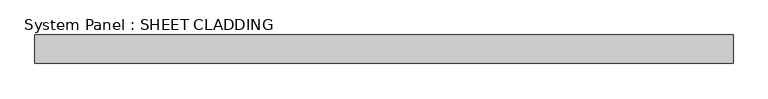
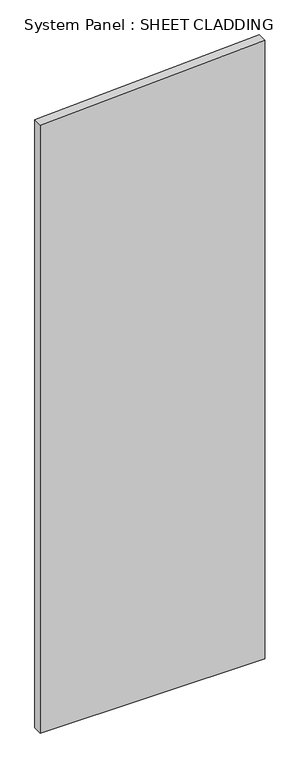
"""IFC4 building model written with IfcOpenShell, lengths in millimetres: plate geometry, System Panel : SHEET CLADDING."""

import ifcopenshell
import ifcopenshell.guid

model = None  # the IFC model being written
_history = None  # IfcOwnerHistory: only IFC2X3 demands one
_inside = {}  # id of a spatial element -> (the spatial element, [elements in it])
_under = {}  # id of a project, library or spatial element -> (it, [spatial elements below it])
_declared = {}  # id of a project -> (the project, [libraries it declares])
_typed = {}  # id of a type object -> (the type object, [elements of that type])
_made_of = {}  # id of a material, layer set ... -> (it, [elements and type objects made of it])


def new_model(schema):
    """Start an empty IFC model of exactly this schema.

    Asked for "IFC4X3", IfcOpenShell would pick the latest addendum, in which some entities
    have other attributes; the version numbers below select the first issue.
    IFC2X3 requires an IfcOwnerHistory on every rooted entity: one is made here for all.
    """
    global model, _history
    if schema == "IFC4X3":
        model = ifcopenshell.file(schema_version=(4, 3, 0, 0))
    else:
        model = ifcopenshell.file(schema=schema)
    _inside.clear()
    _under.clear()
    _declared.clear()
    _typed.clear()
    _made_of.clear()
    _history = None
    if model.schema == "IFC2X3":
        org = make("IfcOrganization", Name="unknown")
        user = make(
            "IfcPersonAndOrganization",
            ThePerson=make("IfcPerson", FamilyName="unknown"),
            TheOrganization=org,
        )
        app = make(
            "IfcApplication",
            ApplicationDeveloper=org,
            Version="unknown",
            ApplicationFullName="unknown",
            ApplicationIdentifier="unknown",
        )
        _history = make(
            "IfcOwnerHistory",
            OwningUser=user,
            OwningApplication=app,
            ChangeAction="ADDED",
            CreationDate=0,
        )
    return model


def make(cls, **values):
    """One entity of the class cls with the attributes given. An attribute that is None is left unset."""
    return model.create_entity(
        cls, **{name: value for name, value in values.items() if value is not None}
    )


def rooted(cls, **values):
    """An entity with a GlobalId (a new one), such as an element, a storey or a relation."""
    return make(cls, GlobalId=ifcopenshell.guid.new(), OwnerHistory=_history, **values)


def si_unit(unit_type, name, prefix=None):
    """IfcSIUnit, for example si_unit("LENGTHUNIT", "METRE", prefix="MILLI")."""
    return make("IfcSIUnit", UnitType=unit_type, Prefix=prefix, Name=name)


def assignment(units):
    """IfcUnitAssignment: the units of a project."""
    return None if units is None else make("IfcUnitAssignment", Units=units)


def point(xyz):
    """IfcCartesianPoint."""
    return None if xyz is None else make("IfcCartesianPoint", Coordinates=xyz)


def direction(xyz):
    """IfcDirection."""
    return None if xyz is None else make("IfcDirection", DirectionRatios=xyz)


def frame(location, z_axis=None, x_axis=None):
    """IfcAxis2Placement3D, a coordinate frame: its origin and axes. An axis left out is left unset."""
    return make(
        "IfcAxis2Placement3D",
        Location=point(location),
        Axis=direction(z_axis),
        RefDirection=direction(x_axis),
    )


def origin():
    """The frame at (0, 0, 0) with its axes left unset."""
    return frame((0.0, 0.0, 0.0))


def place(relative_to, where):
    """IfcLocalPlacement: puts the frame where relative to a parent placement (None: the world)."""
    return make(
        "IfcLocalPlacement", PlacementRelTo=relative_to, RelativePlacement=where
    )


def context(
    kind, dimensions, precision=None, world=None, true_north=None, identifier=None
):
    """IfcGeometricRepresentationContext, for example the 3D "Model" context."""
    return make(
        "IfcGeometricRepresentationContext",
        ContextIdentifier=identifier,
        ContextType=kind,
        CoordinateSpaceDimension=dimensions,
        Precision=precision,
        WorldCoordinateSystem=world,
        TrueNorth=true_north,
    )


def project(units=None, contexts=None):
    """IfcProject with its units and contexts."""
    return rooted(
        "IfcProject",
        Name="project",
        RepresentationContexts=contexts,
        UnitsInContext=assignment(units),
    )


def spatial(cls, under=None, at=None, **own):
    """A site, building, storey or space (cls), placed at a placement, below another one or the project."""
    s = rooted(cls, ObjectPlacement=at, **own)
    if under is not None:
        _under.setdefault(under.id(), (under, []))[1].append(s)
    return s


def polyline(points):
    """IfcPolyline through the points."""
    return make("IfcPolyline", Points=[point(p) for p in points])


def outline(outer, holes=None, kind="AREA"):
    """IfcArbitraryClosedProfileDef: a profile drawn as a closed curve; with holes, ...WithVoids."""
    if holes is None:
        return make("IfcArbitraryClosedProfileDef", ProfileType=kind, OuterCurve=outer)
    return make(
        "IfcArbitraryProfileDefWithVoids",
        ProfileType=kind,
        OuterCurve=outer,
        InnerCurves=holes,
    )


def extrude(swept, where, along, depth):
    """IfcExtrudedAreaSolid: the profile swept, set in the frame where, extruded along a direction by depth."""
    return make(
        "IfcExtrudedAreaSolid",
        SweptArea=swept,
        Position=where,
        ExtrudedDirection=direction(along),
        Depth=depth,
    )


def shape(context_of_items, identifier, shape_type, items):
    """IfcShapeRepresentation: the items that make up one representation, for example the "Body"."""
    return make(
        "IfcShapeRepresentation",
        ContextOfItems=context_of_items,
        RepresentationIdentifier=identifier,
        RepresentationType=shape_type,
        Items=items,
    )


def source(mapping_origin, context_of_items, identifier, shape_type, items):
    """IfcRepresentationMap: a shape defined once, which mapped items show again and again."""
    return make(
        "IfcRepresentationMap",
        MappingOrigin=mapping_origin,
        MappedRepresentation=shape(context_of_items, identifier, shape_type, items),
    )


def transform(
    local_origin,
    x_axis=None,
    y_axis=None,
    z_axis=None,
    scale=None,
    scale2=None,
    scale3=None,
    uniform=True,
):
    """IfcCartesianTransformationOperator3D, or its non-uniform kind. x_axis, y_axis, z_axis: its Axis1, 2, 3."""
    if uniform:
        return make(
            "IfcCartesianTransformationOperator3D",
            Axis1=direction(x_axis),
            Axis2=direction(y_axis),
            LocalOrigin=point(local_origin),
            Scale=scale,
            Axis3=direction(z_axis),
        )
    return make(
        "IfcCartesianTransformationOperator3DnonUniform",
        Axis1=direction(x_axis),
        Axis2=direction(y_axis),
        LocalOrigin=point(local_origin),
        Scale=scale,
        Axis3=direction(z_axis),
        Scale2=scale2,
        Scale3=scale3,
    )


def mapped(mapping_source, mapping_target):
    """IfcMappedItem: shows the shape of a source again, moved by a transform."""
    return make(
        "IfcMappedItem", MappingSource=mapping_source, MappingTarget=mapping_target
    )


def made_of(thing, what):
    """Note that an element or type object is made of a material, layer set ...; save() writes the relation."""
    if what is not None:
        _made_of.setdefault(what.id(), (what, []))[1].append(thing)
    return thing


def element(
    cls,
    number,
    at=None,
    inside=None,
    cuts=None,
    type_object=None,
    material=None,
    context=None,
    identifier="Body",
    shape_type=None,
    held_by="IfcProductDefinitionShape",
    body=None,
    shapes=None,
    **own,
):
    """One element of the class cls, such as IfcWall. Its Tag is "e" and its number.

    at: its placement. inside: the storey or other place that contains it. cuts: it is an
    opening in that element (IfcRelVoidsElement). A single representation is given by context,
    identifier, shape_type and body (its items); several are given by shapes. held_by: the class
    of the entity that holds the representations. save() writes the other relations.
    """
    e = rooted(cls, Tag="e%d" % number, ObjectPlacement=at, **own)
    if body is not None:
        shapes = [shape(context, identifier, shape_type, body)]
    if shapes is not None:
        e.Representation = make(held_by, Representations=shapes)
    if inside is not None:
        _inside.setdefault(inside.id(), (inside, []))[1].append(e)
    if cuts is not None:
        rooted(
            "IfcRelVoidsElement", RelatingBuildingElement=cuts, RelatedOpeningElement=e
        )
    if type_object is not None:
        _typed.setdefault(type_object.id(), (type_object, []))[1].append(e)
    return made_of(e, material)


def aggregate(whole, parts):
    """IfcRelAggregates: a whole, such as a stair, and the parts it consists of."""
    return rooted("IfcRelAggregates", RelatingObject=whole, RelatedObjects=parts)


def save(model, path):
    """Write the relations noted so far, then the file.

    IfcRelAggregates (storeys below a building ...), IfcRelContainedInSpatialStructure (elements
    in a storey), IfcRelDefinesByType, IfcRelAssociatesMaterial and IfcRelDeclares: one each for
    every whole, place, type object, material and project.
    """
    for whole, parts in _under.values():
        aggregate(whole, parts)
    for where, things in _inside.values():
        rooted(
            "IfcRelContainedInSpatialStructure",
            RelatedElements=things,
            RelatingStructure=where,
        )
    for kind, things in _typed.values():
        rooted("IfcRelDefinesByType", RelatedObjects=things, RelatingType=kind)
    for what, things in _made_of.values():
        rooted("IfcRelAssociatesMaterial", RelatedObjects=things, RelatingMaterial=what)
    for by, libraries in _declared.values():
        rooted("IfcRelDeclares", RelatingContext=by, RelatedDefinitions=libraries)
    model.write(path)


def system_panel_sheet_cladding_a9310724(model_context):
    return source(origin(), model_context, "Body", "SweptSolid", [
        extrude(outline(polyline([(0.0, -735.4591837), (0.0, 735.4591837), (4285.3806122, 735.4591837), (4211.8346939, -735.4591837), (0.0, -735.4591837)])), frame((0.0, -10.5, 0.0), z_axis=(0.0, 1.0, 0.0), x_axis=(0.0, 0.0, 1.0)), (0.0, 0.0, 1.0), 60.0),
    ])


if __name__ == "__main__":
    model = new_model("IFC4")
    model_context = context("Model", 3, world=origin())
    ifc_project = project(units=[si_unit("LENGTHUNIT", "METRE", prefix="MILLI")], contexts=[model_context])
    site = spatial("IfcSite", under=ifc_project)
    building = spatial("IfcBuilding", under=site)
    placement = place(None, origin())
    system_panel_sheet_cladding_shape = system_panel_sheet_cladding_a9310724(model_context)
    element("IfcPlate", 1, ObjectType="System Panel : SHEET CLADDING", at=placement, inside=building, context=model_context, shape_type="MappedRepresentation", body=[
        mapped(system_panel_sheet_cladding_shape, transform((0.0, 0.0, 0.0), x_axis=(1.0, 0.0, 0.0), y_axis=(0.0, 1.0, 0.0), z_axis=(0.0, 0.0, 1.0))),
    ])
    save(model, "model.ifc")
